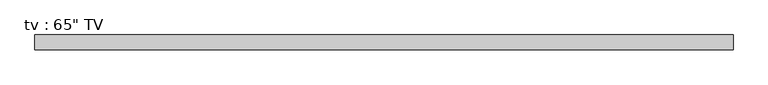
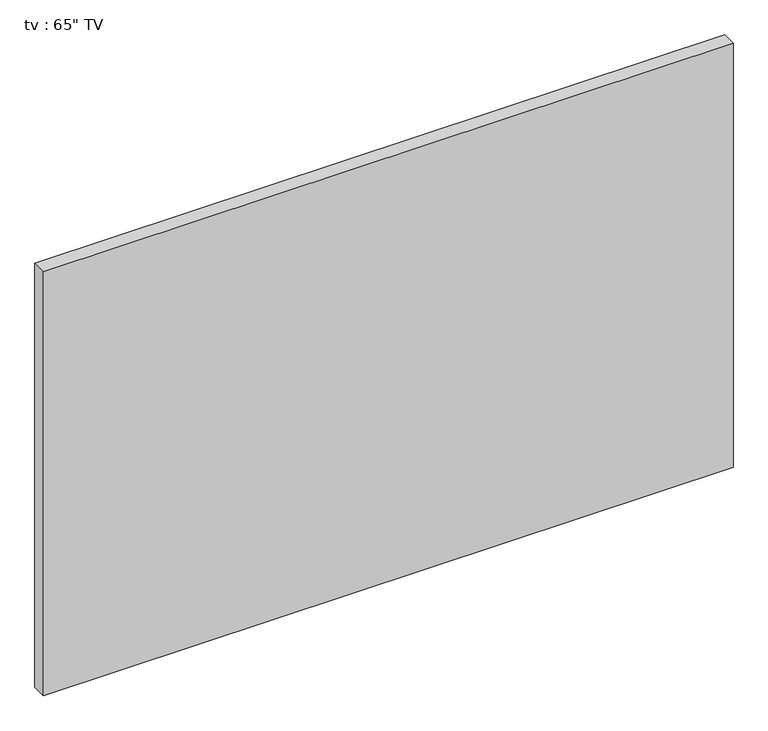
"""IFC4 building model written with IfcOpenShell, lengths in millimetres: proxy geometry."""

from ifc_helpers import new_model, si_unit, frame, origin, place, context, project, spatial, polyline, outline, extrude, faceted_brep, source, transform, mapped, element, save


def proxy_d335b9bf(model_context):
    return source(origin(), model_context, "Body", "SolidModel", [
        extrude(outline(polyline([(-698.5, 89.1976562), (698.5, 89.1976562), (698.5, 79.6726562), (-698.5, 79.6726562), (-698.5, 89.1976562)])), frame((0.0, 0.0, 38.1), z_axis=(0.0, 0.0, 1.0), x_axis=(1.0, 0.0, 0.0)), (0.0, 0.0, 1.0), 877.57),
        faceted_brep([(723.9, 92.3726562, 0.0), (-723.9, 92.3726562, 0.0), (-723.9, 92.3726562, 941.07), (723.9, 92.3726562, 941.07), (698.5, 92.3726562, 38.1), (698.5, 92.3726562, 915.67), (-698.5, 92.3726562, 915.67), (-698.5, 92.3726562, 38.1), (723.9, 61.9125, 0.0), (723.9, 61.9125, 941.07), (-723.9, 61.9125, 941.07), (-723.9, 61.9125, 0.0), (698.5, 79.6726562, 38.1), (-698.5, 79.6726562, 38.1), (-698.5, 79.6726562, 915.67), (698.5, 79.6726562, 915.67)], [[[0, 1, 2, 3], [4, 5, 6, 7]], [[8, 9, 10, 11]], [[1, 0, 8, 11]], [[2, 1, 11, 10]], [[3, 2, 10, 9]], [[0, 3, 9, 8]], [[12, 13, 14, 15]], [[12, 15, 5, 4]], [[15, 14, 6, 5]], [[14, 13, 7, 6]], [[13, 12, 4, 7]]]),
    ])


if __name__ == "__main__":
    model = new_model("IFC4")
    model_context = context("Model", 3, world=origin())
    ifc_project = project(units=[si_unit("LENGTHUNIT", "METRE", prefix="MILLI")], contexts=[model_context])
    site = spatial("IfcSite", under=ifc_project)
    building = spatial("IfcBuilding", under=site)
    placement = place(None, origin())
    proxy_shape = proxy_d335b9bf(model_context)
    element("IfcBuildingElementProxy", 1, Name="tv : 65\" TV", ObjectType="tv : 65\" TV", at=placement, inside=building, context=model_context, shape_type="MappedRepresentation", body=[
        mapped(proxy_shape, transform((0.0, 0.0, 0.0), x_axis=(1.0, 0.0, 0.0), y_axis=(0.0, 1.0, 0.0), z_axis=(0.0, 0.0, 1.0))),
    ])
    save(model, "model.ifc")
